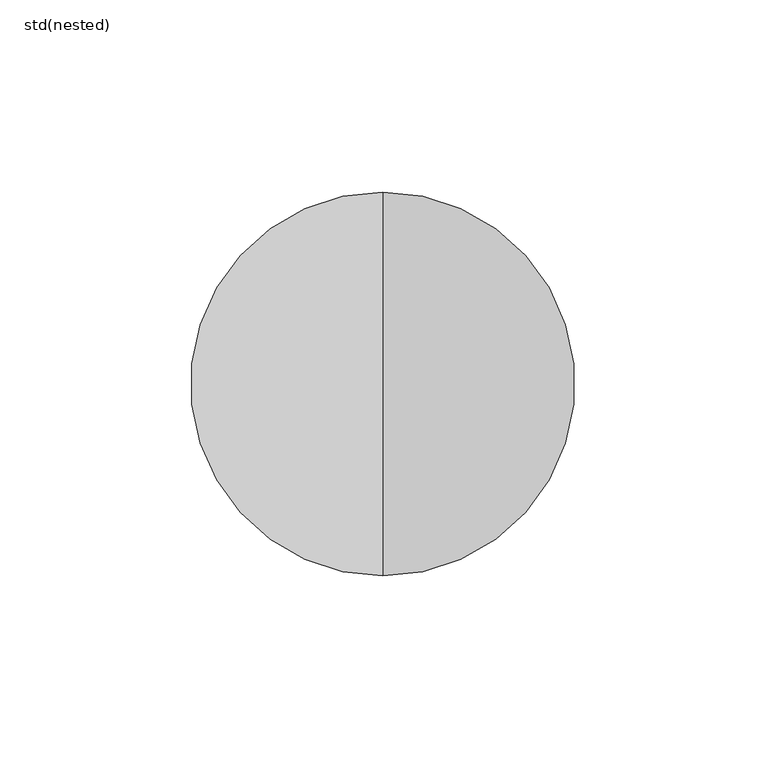
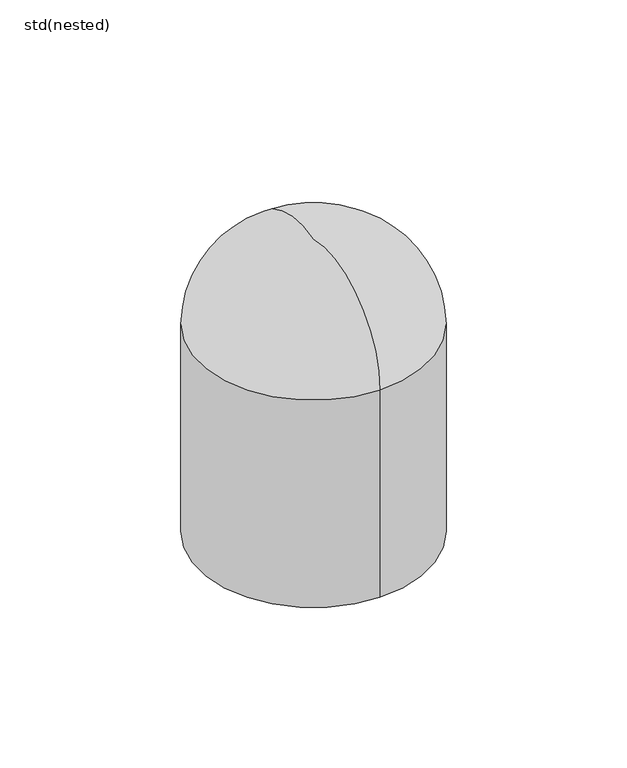
"""IFC4 building model written with IfcOpenShell, lengths in millimetres: alarm geometry, std(nested)."""

from ifc_helpers import new_model, si_unit, point, frame, origin, place, context, project, spatial, circle_curve, ellipse_curve, trimmed, source, transform, mapped, element, save
from ifc_brep_helpers import plane_surface, cylinder_surface, revolved_surface, advanced_brep


def std_nested_414b5e36(model_context):
    return source(origin(), model_context, "Body", "AdvancedBrep", [
        advanced_brep(
        [(0.0, 50.0, 45.0), (0.0, -50.0, 45.0), (0.0, -50.0, 140.2823885), (0.0, 50.0, 140.2823885), (0.0, 0.0, 45.0), (0.0, 0.0, 179.4045054)],
        [
            (0, 1, circle_curve(frame((0.0, 0.0, 45.0), z_axis=(0.0, 0.0, 1.0), x_axis=(0.0, -1.0, 0.0)), 50.0)),
            (1, 2),
            (2, 3, circle_curve(frame((0.0, 0.0, 140.2823885), z_axis=(0.0, 0.0, -1.0), x_axis=(0.0, -1.0, 0.0)), 50.0)),
            (3, 0),
            (1, 0, circle_curve(frame((0.0, 0.0, 45.0), z_axis=(0.0, 0.0, 1.0), x_axis=(0.0, -1.0, 0.0)), 50.0)),
            (3, 2, circle_curve(frame((0.0, 0.0, 140.2823885), z_axis=(0.0, 0.0, -1.0), x_axis=(0.0, -1.0, 0.0)), 50.0)),
            (4, 1),
            (0, 4),
            (2, 5, circle_curve(frame((0.0, -9.6945998, 140.2823885), z_axis=(-1.0, 0.0, 0.0), x_axis=(0.0, 1.0, 0.0)), 40.3054002)),
            (5, 3, circle_curve(frame((0.0, 9.6945998, 140.2823885), z_axis=(-1.0, 0.0, 0.0), x_axis=(0.0, -1.0, 0.0)), 40.3054002)),
        ],
        [
            cylinder_surface(frame((0.0, 0.0, 1125.0), z_axis=(0.0, 0.0, -1.0), x_axis=(0.0, -1.0, 0.0)), 50.0),
            plane_surface(frame((0.0, 0.0, 45.0), z_axis=(0.0, 0.0, -1.0), x_axis=(0.0, -1.0, 0.0))),
            revolved_surface(trimmed(ellipse_curve(frame((0.0, -9.6945998, 140.2823885), z_axis=(1.0, 0.0, 0.0), x_axis=(0.0, 1.0, 0.0)), 40.3054002, 40.3054002), [point((0.0, 0.0, 179.4045054))], [point((0.0, -50.0, 140.2823885))], True, "CARTESIAN"), (0.0, 0.0, 1125.0), (0.0, 0.0, -1.0)),
        ],
        [
            (0, [[1, 2, 3, 4]]),
            (0, [[5, -4, 6, -2]]),
            (1, [[7, -1, 8]]),
            (1, [[-8, -5, -7]]),
            (2, [[-3, 9, 10]]),
            (2, [[-6, -10, -9]]),
        ],
    ),
    ])


if __name__ == "__main__":
    model = new_model("IFC4")
    model_context = context("Model", 3, world=origin())
    ifc_project = project(units=[si_unit("LENGTHUNIT", "METRE", prefix="MILLI")], contexts=[model_context])
    site = spatial("IfcSite", under=ifc_project)
    building = spatial("IfcBuilding", under=site)
    placement = place(None, origin())
    std_nested_shape = std_nested_414b5e36(model_context)
    element("IfcAlarm", 1, ObjectType="std(nested)", at=placement, inside=building, context=model_context, shape_type="MappedRepresentation", body=[
        mapped(std_nested_shape, transform((0.0, 0.0, 0.0), x_axis=(1.0, 0.0, 0.0), y_axis=(0.0, 1.0, 0.0), z_axis=(0.0, 0.0, 1.0))),
    ])
    save(model, "model.ifc")
